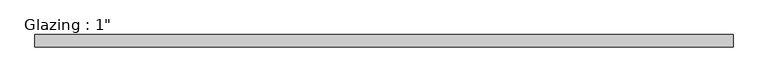
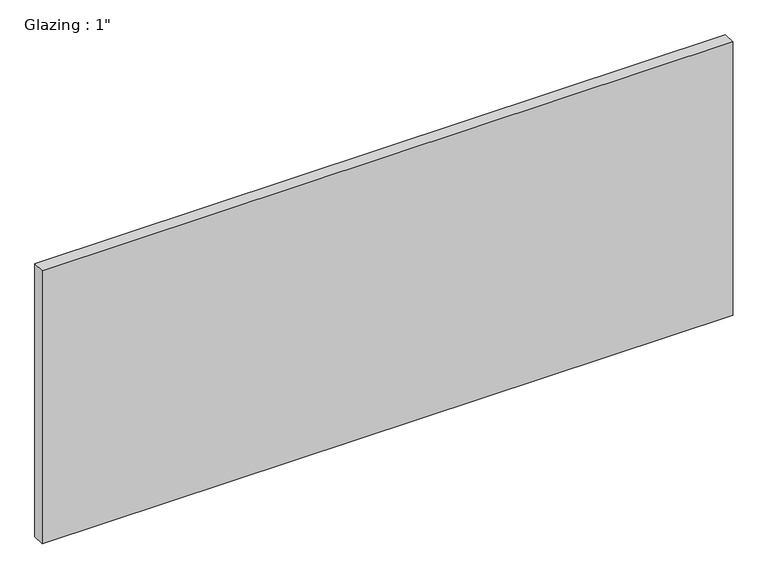
"""IFC4 building model written with IfcOpenShell, lengths in millimetres: plate geometry."""

import ifcopenshell
import ifcopenshell.guid

model = None  # the IFC model being written
_history = None  # IfcOwnerHistory: only IFC2X3 demands one
_inside = {}  # id of a spatial element -> (the spatial element, [elements in it])
_under = {}  # id of a project, library or spatial element -> (it, [spatial elements below it])
_declared = {}  # id of a project -> (the project, [libraries it declares])
_typed = {}  # id of a type object -> (the type object, [elements of that type])
_made_of = {}  # id of a material, layer set ... -> (it, [elements and type objects made of it])


def new_model(schema):
    """Start an empty IFC model of exactly this schema.

    Asked for "IFC4X3", IfcOpenShell would pick the latest addendum, in which some entities
    have other attributes; the version numbers below select the first issue.
    IFC2X3 requires an IfcOwnerHistory on every rooted entity: one is made here for all.
    """
    global model, _history
    if schema == "IFC4X3":
        model = ifcopenshell.file(schema_version=(4, 3, 0, 0))
    else:
        model = ifcopenshell.file(schema=schema)
    _inside.clear()
    _under.clear()
    _declared.clear()
    _typed.clear()
    _made_of.clear()
    _history = None
    if model.schema == "IFC2X3":
        org = make("IfcOrganization", Name="unknown")
        user = make(
            "IfcPersonAndOrganization",
            ThePerson=make("IfcPerson", FamilyName="unknown"),
            TheOrganization=org,
        )
        app = make(
            "IfcApplication",
            ApplicationDeveloper=org,
            Version="unknown",
            ApplicationFullName="unknown",
            ApplicationIdentifier="unknown",
        )
        _history = make(
            "IfcOwnerHistory",
            OwningUser=user,
            OwningApplication=app,
            ChangeAction="ADDED",
            CreationDate=0,
        )
    return model


def make(cls, **values):
    """One entity of the class cls with the attributes given. An attribute that is None is left unset."""
    return model.create_entity(
        cls, **{name: value for name, value in values.items() if value is not None}
    )


def rooted(cls, **values):
    """An entity with a GlobalId (a new one), such as an element, a storey or a relation."""
    return make(cls, GlobalId=ifcopenshell.guid.new(), OwnerHistory=_history, **values)


def si_unit(unit_type, name, prefix=None):
    """IfcSIUnit, for example si_unit("LENGTHUNIT", "METRE", prefix="MILLI")."""
    return make("IfcSIUnit", UnitType=unit_type, Prefix=prefix, Name=name)


def assignment(units):
    """IfcUnitAssignment: the units of a project."""
    return None if units is None else make("IfcUnitAssignment", Units=units)


def point(xyz):
    """IfcCartesianPoint."""
    return None if xyz is None else make("IfcCartesianPoint", Coordinates=xyz)


def direction(xyz):
    """IfcDirection."""
    return None if xyz is None else make("IfcDirection", DirectionRatios=xyz)


def frame(location, z_axis=None, x_axis=None):
    """IfcAxis2Placement3D, a coordinate frame: its origin and axes. An axis left out is left unset."""
    return make(
        "IfcAxis2Placement3D",
        Location=point(location),
        Axis=direction(z_axis),
        RefDirection=direction(x_axis),
    )


def origin():
    """The frame at (0, 0, 0) with its axes left unset."""
    return frame((0.0, 0.0, 0.0))


def origin_with_axes():
    """The frame at (0, 0, 0) with the z axis (0, 0, 1) and the x axis (1, 0, 0) written out."""
    return frame((0.0, 0.0, 0.0), z_axis=(0.0, 0.0, 1.0), x_axis=(1.0, 0.0, 0.0))


def place(relative_to, where):
    """IfcLocalPlacement: puts the frame where relative to a parent placement (None: the world)."""
    return make(
        "IfcLocalPlacement", PlacementRelTo=relative_to, RelativePlacement=where
    )


def context(
    kind, dimensions, precision=None, world=None, true_north=None, identifier=None
):
    """IfcGeometricRepresentationContext, for example the 3D "Model" context."""
    return make(
        "IfcGeometricRepresentationContext",
        ContextIdentifier=identifier,
        ContextType=kind,
        CoordinateSpaceDimension=dimensions,
        Precision=precision,
        WorldCoordinateSystem=world,
        TrueNorth=true_north,
    )


def project(units=None, contexts=None):
    """IfcProject with its units and contexts."""
    return rooted(
        "IfcProject",
        Name="project",
        RepresentationContexts=contexts,
        UnitsInContext=assignment(units),
    )


def spatial(cls, under=None, at=None, **own):
    """A site, building, storey or space (cls), placed at a placement, below another one or the project."""
    s = rooted(cls, ObjectPlacement=at, **own)
    if under is not None:
        _under.setdefault(under.id(), (under, []))[1].append(s)
    return s


def polyline(points):
    """IfcPolyline through the points."""
    return make("IfcPolyline", Points=[point(p) for p in points])


def outline(outer, holes=None, kind="AREA"):
    """IfcArbitraryClosedProfileDef: a profile drawn as a closed curve; with holes, ...WithVoids."""
    if holes is None:
        return make("IfcArbitraryClosedProfileDef", ProfileType=kind, OuterCurve=outer)
    return make(
        "IfcArbitraryProfileDefWithVoids",
        ProfileType=kind,
        OuterCurve=outer,
        InnerCurves=holes,
    )


def extrude(swept, where, along, depth):
    """IfcExtrudedAreaSolid: the profile swept, set in the frame where, extruded along a direction by depth."""
    return make(
        "IfcExtrudedAreaSolid",
        SweptArea=swept,
        Position=where,
        ExtrudedDirection=direction(along),
        Depth=depth,
    )


def shape(context_of_items, identifier, shape_type, items):
    """IfcShapeRepresentation: the items that make up one representation, for example the "Body"."""
    return make(
        "IfcShapeRepresentation",
        ContextOfItems=context_of_items,
        RepresentationIdentifier=identifier,
        RepresentationType=shape_type,
        Items=items,
    )


def source(mapping_origin, context_of_items, identifier, shape_type, items):
    """IfcRepresentationMap: a shape defined once, which mapped items show again and again."""
    return make(
        "IfcRepresentationMap",
        MappingOrigin=mapping_origin,
        MappedRepresentation=shape(context_of_items, identifier, shape_type, items),
    )


def transform(
    local_origin,
    x_axis=None,
    y_axis=None,
    z_axis=None,
    scale=None,
    scale2=None,
    scale3=None,
    uniform=True,
):
    """IfcCartesianTransformationOperator3D, or its non-uniform kind. x_axis, y_axis, z_axis: its Axis1, 2, 3."""
    if uniform:
        return make(
            "IfcCartesianTransformationOperator3D",
            Axis1=direction(x_axis),
            Axis2=direction(y_axis),
            LocalOrigin=point(local_origin),
            Scale=scale,
            Axis3=direction(z_axis),
        )
    return make(
        "IfcCartesianTransformationOperator3DnonUniform",
        Axis1=direction(x_axis),
        Axis2=direction(y_axis),
        LocalOrigin=point(local_origin),
        Scale=scale,
        Axis3=direction(z_axis),
        Scale2=scale2,
        Scale3=scale3,
    )


def mapped(mapping_source, mapping_target):
    """IfcMappedItem: shows the shape of a source again, moved by a transform."""
    return make(
        "IfcMappedItem", MappingSource=mapping_source, MappingTarget=mapping_target
    )


def made_of(thing, what):
    """Note that an element or type object is made of a material, layer set ...; save() writes the relation."""
    if what is not None:
        _made_of.setdefault(what.id(), (what, []))[1].append(thing)
    return thing


def element(
    cls,
    number,
    at=None,
    inside=None,
    cuts=None,
    type_object=None,
    material=None,
    context=None,
    identifier="Body",
    shape_type=None,
    held_by="IfcProductDefinitionShape",
    body=None,
    shapes=None,
    **own,
):
    """One element of the class cls, such as IfcWall. Its Tag is "e" and its number.

    at: its placement. inside: the storey or other place that contains it. cuts: it is an
    opening in that element (IfcRelVoidsElement). A single representation is given by context,
    identifier, shape_type and body (its items); several are given by shapes. held_by: the class
    of the entity that holds the representations. save() writes the other relations.
    """
    e = rooted(cls, Tag="e%d" % number, ObjectPlacement=at, **own)
    if body is not None:
        shapes = [shape(context, identifier, shape_type, body)]
    if shapes is not None:
        e.Representation = make(held_by, Representations=shapes)
    if inside is not None:
        _inside.setdefault(inside.id(), (inside, []))[1].append(e)
    if cuts is not None:
        rooted(
            "IfcRelVoidsElement", RelatingBuildingElement=cuts, RelatedOpeningElement=e
        )
    if type_object is not None:
        _typed.setdefault(type_object.id(), (type_object, []))[1].append(e)
    return made_of(e, material)


def aggregate(whole, parts):
    """IfcRelAggregates: a whole, such as a stair, and the parts it consists of."""
    return rooted("IfcRelAggregates", RelatingObject=whole, RelatedObjects=parts)


def save(model, path):
    """Write the relations noted so far, then the file.

    IfcRelAggregates (storeys below a building ...), IfcRelContainedInSpatialStructure (elements
    in a storey), IfcRelDefinesByType, IfcRelAssociatesMaterial and IfcRelDeclares: one each for
    every whole, place, type object, material and project.
    """
    for whole, parts in _under.values():
        aggregate(whole, parts)
    for where, things in _inside.values():
        rooted(
            "IfcRelContainedInSpatialStructure",
            RelatedElements=things,
            RelatingStructure=where,
        )
    for kind, things in _typed.values():
        rooted("IfcRelDefinesByType", RelatedObjects=things, RelatingType=kind)
    for what, things in _made_of.values():
        rooted("IfcRelAssociatesMaterial", RelatedObjects=things, RelatingMaterial=what)
    for by, libraries in _declared.values():
        rooted("IfcRelDeclares", RelatingContext=by, RelatedDefinitions=libraries)
    model.write(path)


def plate_84d01978(model_context):
    return source(origin(), model_context, "Body", "SweptSolid", [
        extrude(outline(polyline([(710.632433, -12.7), (-710.632433, -12.7), (-710.632433, 12.7), (710.632433, 12.7), (710.632433, -12.7)])), origin_with_axes(), (0.0, 0.0, 1.0), 593.7249245),
    ])


if __name__ == "__main__":
    model = new_model("IFC4")
    model_context = context("Model", 3, world=origin())
    ifc_project = project(units=[si_unit("LENGTHUNIT", "METRE", prefix="MILLI")], contexts=[model_context])
    site = spatial("IfcSite", under=ifc_project)
    building = spatial("IfcBuilding", under=site)
    placement = place(None, origin())
    plate_shape = plate_84d01978(model_context)
    element("IfcPlate", 1, ObjectType="Glazing : 1\"", at=placement, inside=building, context=model_context, shape_type="MappedRepresentation", body=[
        mapped(plate_shape, transform((0.0, 0.0, 0.0), x_axis=(1.0, 0.0, 0.0), y_axis=(0.0, 1.0, 0.0), z_axis=(0.0, 0.0, 1.0))),
    ])
    save(model, "model.ifc")
